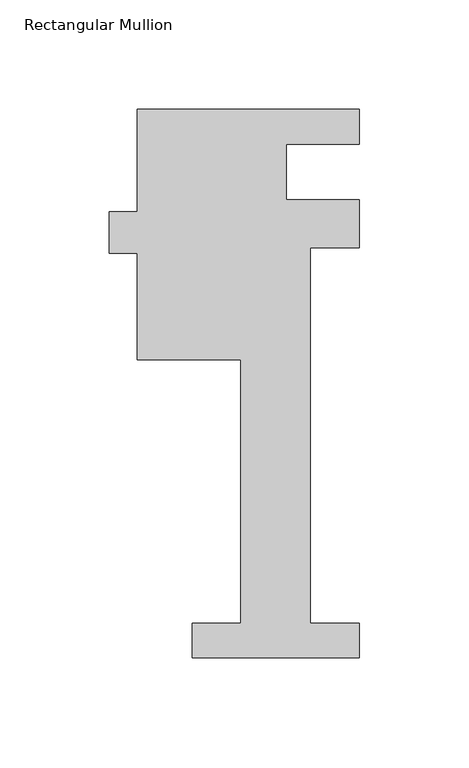
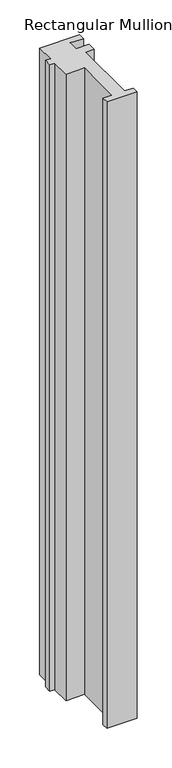
"""IFC4 building model written with IfcOpenShell, lengths in millimetres: member geometry, Rectangular Mullion."""

import ifcopenshell
import ifcopenshell.guid

model = None  # the IFC model being written
_history = None  # IfcOwnerHistory: only IFC2X3 demands one
_inside = {}  # id of a spatial element -> (the spatial element, [elements in it])
_under = {}  # id of a project, library or spatial element -> (it, [spatial elements below it])
_declared = {}  # id of a project -> (the project, [libraries it declares])
_typed = {}  # id of a type object -> (the type object, [elements of that type])
_made_of = {}  # id of a material, layer set ... -> (it, [elements and type objects made of it])


def new_model(schema):
    """Start an empty IFC model of exactly this schema.

    Asked for "IFC4X3", IfcOpenShell would pick the latest addendum, in which some entities
    have other attributes; the version numbers below select the first issue.
    IFC2X3 requires an IfcOwnerHistory on every rooted entity: one is made here for all.
    """
    global model, _history
    if schema == "IFC4X3":
        model = ifcopenshell.file(schema_version=(4, 3, 0, 0))
    else:
        model = ifcopenshell.file(schema=schema)
    _inside.clear()
    _under.clear()
    _declared.clear()
    _typed.clear()
    _made_of.clear()
    _history = None
    if model.schema == "IFC2X3":
        org = make("IfcOrganization", Name="unknown")
        user = make(
            "IfcPersonAndOrganization",
            ThePerson=make("IfcPerson", FamilyName="unknown"),
            TheOrganization=org,
        )
        app = make(
            "IfcApplication",
            ApplicationDeveloper=org,
            Version="unknown",
            ApplicationFullName="unknown",
            ApplicationIdentifier="unknown",
        )
        _history = make(
            "IfcOwnerHistory",
            OwningUser=user,
            OwningApplication=app,
            ChangeAction="ADDED",
            CreationDate=0,
        )
    return model


def make(cls, **values):
    """One entity of the class cls with the attributes given. An attribute that is None is left unset."""
    return model.create_entity(
        cls, **{name: value for name, value in values.items() if value is not None}
    )


def rooted(cls, **values):
    """An entity with a GlobalId (a new one), such as an element, a storey or a relation."""
    return make(cls, GlobalId=ifcopenshell.guid.new(), OwnerHistory=_history, **values)


def si_unit(unit_type, name, prefix=None):
    """IfcSIUnit, for example si_unit("LENGTHUNIT", "METRE", prefix="MILLI")."""
    return make("IfcSIUnit", UnitType=unit_type, Prefix=prefix, Name=name)


def assignment(units):
    """IfcUnitAssignment: the units of a project."""
    return None if units is None else make("IfcUnitAssignment", Units=units)


def point(xyz):
    """IfcCartesianPoint."""
    return None if xyz is None else make("IfcCartesianPoint", Coordinates=xyz)


def direction(xyz):
    """IfcDirection."""
    return None if xyz is None else make("IfcDirection", DirectionRatios=xyz)


def frame(location, z_axis=None, x_axis=None):
    """IfcAxis2Placement3D, a coordinate frame: its origin and axes. An axis left out is left unset."""
    return make(
        "IfcAxis2Placement3D",
        Location=point(location),
        Axis=direction(z_axis),
        RefDirection=direction(x_axis),
    )


def origin():
    """The frame at (0, 0, 0) with its axes left unset."""
    return frame((0.0, 0.0, 0.0))


def place(relative_to, where):
    """IfcLocalPlacement: puts the frame where relative to a parent placement (None: the world)."""
    return make(
        "IfcLocalPlacement", PlacementRelTo=relative_to, RelativePlacement=where
    )


def context(
    kind, dimensions, precision=None, world=None, true_north=None, identifier=None
):
    """IfcGeometricRepresentationContext, for example the 3D "Model" context."""
    return make(
        "IfcGeometricRepresentationContext",
        ContextIdentifier=identifier,
        ContextType=kind,
        CoordinateSpaceDimension=dimensions,
        Precision=precision,
        WorldCoordinateSystem=world,
        TrueNorth=true_north,
    )


def project(units=None, contexts=None):
    """IfcProject with its units and contexts."""
    return rooted(
        "IfcProject",
        Name="project",
        RepresentationContexts=contexts,
        UnitsInContext=assignment(units),
    )


def spatial(cls, under=None, at=None, **own):
    """A site, building, storey or space (cls), placed at a placement, below another one or the project."""
    s = rooted(cls, ObjectPlacement=at, **own)
    if under is not None:
        _under.setdefault(under.id(), (under, []))[1].append(s)
    return s


def polyline(points):
    """IfcPolyline through the points."""
    return make("IfcPolyline", Points=[point(p) for p in points])


def outline(outer, holes=None, kind="AREA"):
    """IfcArbitraryClosedProfileDef: a profile drawn as a closed curve; with holes, ...WithVoids."""
    if holes is None:
        return make("IfcArbitraryClosedProfileDef", ProfileType=kind, OuterCurve=outer)
    return make(
        "IfcArbitraryProfileDefWithVoids",
        ProfileType=kind,
        OuterCurve=outer,
        InnerCurves=holes,
    )


def extrude(swept, where, along, depth):
    """IfcExtrudedAreaSolid: the profile swept, set in the frame where, extruded along a direction by depth."""
    return make(
        "IfcExtrudedAreaSolid",
        SweptArea=swept,
        Position=where,
        ExtrudedDirection=direction(along),
        Depth=depth,
    )


def shape(context_of_items, identifier, shape_type, items):
    """IfcShapeRepresentation: the items that make up one representation, for example the "Body"."""
    return make(
        "IfcShapeRepresentation",
        ContextOfItems=context_of_items,
        RepresentationIdentifier=identifier,
        RepresentationType=shape_type,
        Items=items,
    )


def source(mapping_origin, context_of_items, identifier, shape_type, items):
    """IfcRepresentationMap: a shape defined once, which mapped items show again and again."""
    return make(
        "IfcRepresentationMap",
        MappingOrigin=mapping_origin,
        MappedRepresentation=shape(context_of_items, identifier, shape_type, items),
    )


def transform(
    local_origin,
    x_axis=None,
    y_axis=None,
    z_axis=None,
    scale=None,
    scale2=None,
    scale3=None,
    uniform=True,
):
    """IfcCartesianTransformationOperator3D, or its non-uniform kind. x_axis, y_axis, z_axis: its Axis1, 2, 3."""
    if uniform:
        return make(
            "IfcCartesianTransformationOperator3D",
            Axis1=direction(x_axis),
            Axis2=direction(y_axis),
            LocalOrigin=point(local_origin),
            Scale=scale,
            Axis3=direction(z_axis),
        )
    return make(
        "IfcCartesianTransformationOperator3DnonUniform",
        Axis1=direction(x_axis),
        Axis2=direction(y_axis),
        LocalOrigin=point(local_origin),
        Scale=scale,
        Axis3=direction(z_axis),
        Scale2=scale2,
        Scale3=scale3,
    )


def mapped(mapping_source, mapping_target):
    """IfcMappedItem: shows the shape of a source again, moved by a transform."""
    return make(
        "IfcMappedItem", MappingSource=mapping_source, MappingTarget=mapping_target
    )


def made_of(thing, what):
    """Note that an element or type object is made of a material, layer set ...; save() writes the relation."""
    if what is not None:
        _made_of.setdefault(what.id(), (what, []))[1].append(thing)
    return thing


def element(
    cls,
    number,
    at=None,
    inside=None,
    cuts=None,
    type_object=None,
    material=None,
    context=None,
    identifier="Body",
    shape_type=None,
    held_by="IfcProductDefinitionShape",
    body=None,
    shapes=None,
    **own,
):
    """One element of the class cls, such as IfcWall. Its Tag is "e" and its number.

    at: its placement. inside: the storey or other place that contains it. cuts: it is an
    opening in that element (IfcRelVoidsElement). A single representation is given by context,
    identifier, shape_type and body (its items); several are given by shapes. held_by: the class
    of the entity that holds the representations. save() writes the other relations.
    """
    e = rooted(cls, Tag="e%d" % number, ObjectPlacement=at, **own)
    if body is not None:
        shapes = [shape(context, identifier, shape_type, body)]
    if shapes is not None:
        e.Representation = make(held_by, Representations=shapes)
    if inside is not None:
        _inside.setdefault(inside.id(), (inside, []))[1].append(e)
    if cuts is not None:
        rooted(
            "IfcRelVoidsElement", RelatingBuildingElement=cuts, RelatedOpeningElement=e
        )
    if type_object is not None:
        _typed.setdefault(type_object.id(), (type_object, []))[1].append(e)
    return made_of(e, material)


def aggregate(whole, parts):
    """IfcRelAggregates: a whole, such as a stair, and the parts it consists of."""
    return rooted("IfcRelAggregates", RelatingObject=whole, RelatedObjects=parts)


def save(model, path):
    """Write the relations noted so far, then the file.

    IfcRelAggregates (storeys below a building ...), IfcRelContainedInSpatialStructure (elements
    in a storey), IfcRelDefinesByType, IfcRelAssociatesMaterial and IfcRelDeclares: one each for
    every whole, place, type object, material and project.
    """
    for whole, parts in _under.values():
        aggregate(whole, parts)
    for where, things in _inside.values():
        rooted(
            "IfcRelContainedInSpatialStructure",
            RelatedElements=things,
            RelatingStructure=where,
        )
    for kind, things in _typed.values():
        rooted("IfcRelDefinesByType", RelatedObjects=things, RelatingType=kind)
    for what, things in _made_of.values():
        rooted("IfcRelAssociatesMaterial", RelatedObjects=things, RelatingMaterial=what)
    for by, libraries in _declared.values():
        rooted("IfcRelDeclares", RelatingContext=by, RelatedDefinitions=libraries)
    model.write(path)


def rectangular_mullion_19929d89(model_context):
    return source(origin(), model_context, "Body", "SweptSolid", [
        extrude(outline(polyline([(-38.1, -221.996), (-38.1, -206.121), (-15.875, -206.121), (-15.875, -85.7445803), (-63.2464382, -85.7445803), (-63.2464382, -37.2155784), (-75.9552088, -37.2155784), (-75.9552088, -18.1655784), (-63.2464382, -18.1655784), (-63.2464382, 28.5554197), (38.1, 28.5554197), (38.1, 12.7), (4.7625, 12.7), (4.7625, -12.7), (38.1, -12.7), (38.1, -34.671), (15.875, -34.671), (15.875, -206.121), (38.1, -206.121), (38.1, -221.996), (-38.1, -221.996)])), frame((0.0, 0.0, -1676.4), z_axis=(0.0, 0.0, 1.0), x_axis=(1.0, 0.0, 0.0)), (0.0, 0.0, 1.0), 1676.4),
    ])


if __name__ == "__main__":
    model = new_model("IFC4")
    model_context = context("Model", 3, world=origin())
    ifc_project = project(units=[si_unit("LENGTHUNIT", "METRE", prefix="MILLI")], contexts=[model_context])
    site = spatial("IfcSite", under=ifc_project)
    building = spatial("IfcBuilding", under=site)
    placement = place(None, origin())
    rectangular_mullion_shape = rectangular_mullion_19929d89(model_context)
    element("IfcMember", 1, ObjectType="Rectangular Mullion", at=placement, inside=building, context=model_context, shape_type="MappedRepresentation", body=[
        mapped(rectangular_mullion_shape, transform((0.0, 0.0, 0.0), x_axis=(1.0, 0.0, 0.0), y_axis=(0.0, 1.0, 0.0), z_axis=(0.0, 0.0, 1.0))),
    ])
    save(model, "model.ifc")
